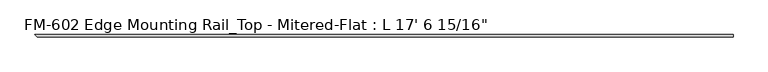
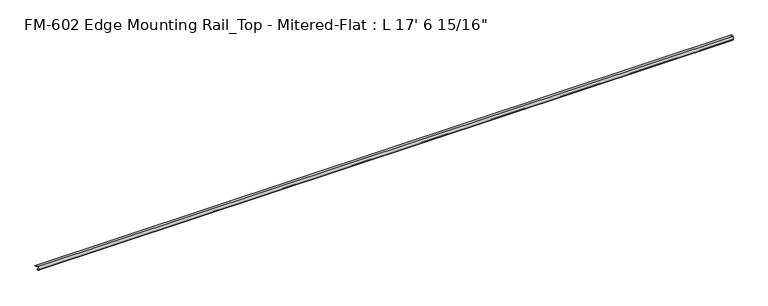
"""IFC4 building model written with IfcOpenShell, lengths in millimetres: proxy geometry."""

from ifc_helpers import new_model, si_unit, frame, origin, origin_with_axes, place, context, project, spatial, polyline, circle_curve, ellipse_curve, source, transform, mapped, element, save
from ifc_brep_helpers import plane_surface, cylinder_surface, revolved_surface, advanced_brep


def proxy_81527d32(model_context):
    return source(origin(), model_context, "Body", "AdvancedBrep", [
        advanced_brep(
        [(5357.8125, -13.6400687, -32.1158903), (5357.8125, -11.9462301, -30.7938136), (5357.8125, -13.6400687, -26.2967369), (5357.8125, -15.4364113, -25.7360779), (5357.8125, -16.1779173, -26.4138515), (5357.8125, -16.9376166, -27.3612928), (5357.8125, -17.4625, -26.8535734), (5357.8125, -17.4625, -15.6659614), (5357.8125, -17.9716639, -14.7485418), (5357.8125, -17.9716639, -13.408381), (5357.8125, -17.4625, -12.4909614), (5357.8125, -17.4625, -3.5152595), (5357.8125, -15.5573314, -1.6102595), (5357.8125, -6.3856306, -1.6018315), (5357.8125, -3.2106953, -1.5875), (5357.8125, 0.0, -1.5875), (5357.8125, 0.0, 0.0), (5357.8125, -19.05, 0.0), (5357.8125, -19.05, -29.1395734), (5357.8125, -17.7424378, -29.1395734), (5357.8125, -16.1549378, -30.7270734), (5357.8125, -16.1549378, -32.2686835), (5357.8125, -15.4750158, -32.6885982), (15.4750158, -15.4750158, -32.6885982), (13.6400687, -13.6400687, -32.1158903), (16.1549378, -16.1549378, -32.2686835), (16.1549378, -16.1549378, -30.7270734), (17.7424378, -17.7424378, -29.1395734), (19.05, -19.05, -29.1395734), (19.05, -19.05, 0.0), (0.0, 0.0, 0.0), (17.4625, -17.4625, -3.5152595), (15.5573314, -15.5573314, -1.6102595), (17.4625, -17.4625, -12.4909614), (17.9716639, -17.9716639, -13.408381), (17.9716639, -17.9716639, -14.7485418), (17.4625, -17.4625, -15.6659614), (17.4625, -17.4625, -26.8535734), (16.9376166, -16.9376166, -27.3612928), (16.1779173, -16.1779173, -26.4138515), (15.4364113, -15.4364113, -25.7360779), (13.6400687, -13.6400687, -26.2967369), (11.9462301, -11.9462301, -30.7938136), (0.0, 0.0, -1.5875), (3.2106953, -3.2106953, -1.5875), (6.3856306, -6.3856306, -1.6018315)],
        [
            (0, 1, circle_curve(frame((5357.8125, -14.5481808, -29.2063136), z_axis=(1.0, 0.0, 0.0), x_axis=(0.0, 1.0, 0.0)), 3.048)),
            (1, 2, circle_curve(frame((5357.8125, -14.5481808, -29.2063136), z_axis=(1.0, 0.0, 0.0), x_axis=(0.0, 1.0, 0.0)), 3.048)),
            (2, 3),
            (3, 4, circle_curve(frame((5357.8125, -15.6245238, -26.2747792), z_axis=(1.0, 0.0, 0.0), x_axis=(0.0, 1.0, 0.0)), 0.5706009)),
            (4, 5, circle_curve(frame((5357.8125, -16.9169378, -26.5995734), z_axis=(-1.0, 0.0, 0.0), x_axis=(0.0, 1.0, 0.0)), 0.762)),
            (5, 6, circle_curve(frame((5357.8125, -16.9545, -26.8535734), z_axis=(-1.0, 0.0, 0.0), x_axis=(0.0, 1.0, 0.0)), 0.508)),
            (6, 7),
            (7, 8),
            (8, 9),
            (9, 10),
            (10, 11),
            (11, 12, circle_curve(frame((5357.8125, -15.5575, -3.5152595), z_axis=(-1.0, 0.0, 0.0), x_axis=(0.0, 1.0, 0.0)), 1.905)),
            (12, 13),
            (13, 14, circle_curve(frame((5357.8125, -4.7981953, -1.5875), z_axis=(1.0, 0.0, 0.0), x_axis=(0.0, 1.0, 0.0)), 1.5875)),
            (14, 15),
            (15, 16),
            (16, 17),
            (17, 18),
            (18, 19),
            (19, 20, circle_curve(frame((5357.8125, -17.7424378, -30.7270734), z_axis=(-1.0, 0.0, 0.0), x_axis=(0.0, 1.0, 0.0)), 1.5875)),
            (20, 21),
            (21, 22, circle_curve(frame((5357.8125, -15.6853088, -32.2686835), z_axis=(1.0, 0.0, 0.0), x_axis=(0.0, 1.0, 0.0)), 0.4696291)),
            (22, 0),
            (22, 23),
            (23, 24),
            (24, 0),
            (21, 25),
            (25, 23, ellipse_curve(frame((15.6853088, -15.6853088, -32.2686835), z_axis=(0.7071067811865469, 0.7071067811865481, 0.0), x_axis=(-0.707106781186548, 0.7071067811865469, 0.0)), 0.6641558, 0.4696291)),
            (20, 26),
            (26, 25),
            (19, 27),
            (27, 26, ellipse_curve(frame((17.7424378, -17.7424378, -30.7270734), z_axis=(-0.7071067811865469, -0.7071067811865481, 0.0), x_axis=(0.707106781186548, -0.7071067811865469, 0.0)), 2.245064, 1.5875)),
            (18, 28),
            (28, 27),
            (17, 29),
            (29, 28),
            (16, 30),
            (30, 29),
            (11, 31),
            (31, 32, ellipse_curve(frame((15.5575, -15.5575, -3.5152595), z_axis=(-0.7071067811865469, -0.7071067811865481, 0.0), x_axis=(0.707106781186548, -0.7071067811865469, 0.0)), 2.6940768, 1.905)),
            (32, 12),
            (10, 33),
            (33, 31),
            (9, 34),
            (34, 33),
            (8, 35),
            (35, 34),
            (7, 36),
            (36, 35),
            (6, 37),
            (37, 36),
            (5, 38),
            (38, 37, ellipse_curve(frame((16.9545, -16.9545, -26.8535734), z_axis=(-0.7071067811865469, -0.7071067811865481, 0.0), x_axis=(0.707106781186548, -0.7071067811865469, 0.0)), 0.7184205, 0.508)),
            (4, 39),
            (39, 38, ellipse_curve(frame((16.9169378, -16.9169378, -26.5995734), z_axis=(-0.7071067811865469, -0.7071067811865481, 0.0), x_axis=(0.707106781186548, -0.7071067811865469, 0.0)), 1.0776307, 0.762)),
            (3, 40),
            (40, 39, ellipse_curve(frame((15.6245238, -15.6245238, -26.2747792), z_axis=(0.7071067811865469, 0.7071067811865481, 0.0), x_axis=(-0.707106781186548, 0.7071067811865469, 0.0)), 0.8069516, 0.5706009)),
            (2, 41),
            (41, 40),
            (1, 42),
            (42, 41, ellipse_curve(frame((14.5481808, -14.5481808, -29.2063136), z_axis=(0.7071067811865469, 0.7071067811865481, 0.0), x_axis=(-0.707106781186548, 0.7071067811865469, 0.0)), 4.3105229, 3.048)),
            (24, 42, ellipse_curve(frame((14.5481808, -14.5481808, -29.2063136), z_axis=(0.7071067811865469, 0.7071067811865481, 0.0), x_axis=(-0.707106781186548, 0.7071067811865469, 0.0)), 4.3105229, 3.048)),
            (15, 43),
            (43, 30),
            (14, 44),
            (44, 43),
            (13, 45),
            (45, 44, ellipse_curve(frame((4.7981953, -4.7981953, -1.5875), z_axis=(0.7071067811865469, 0.7071067811865481, 0.0), x_axis=(-0.707106781186548, 0.7071067811865469, 0.0)), 2.245064, 1.5875)),
            (32, 45),
        ],
        [
            plane_surface(frame((5357.8125, -11.5001808, -29.2063136), z_axis=(1.0, 0.0, 0.0), x_axis=(0.0, 0.0, -1.0))),
            plane_surface(frame((0.0, -15.4750158, -32.6885982), z_axis=(0.0, 0.2979370393092848, -0.9545855229405157), x_axis=(1.0, 0.0, 0.0))),
            cylinder_surface(frame((5357.8125, -15.6853088, -32.2686835), z_axis=(-1.0, 0.0, 0.0), x_axis=(0.0, 1.0, 0.0)), 0.4696291),
            plane_surface(frame((0.0, -16.1549378, -30.7270734), z_axis=(0.0, -1.0, 0.0), x_axis=(1.0, 0.0, 0.0))),
            revolved_surface(polyline([(5357.8125, -16.154937800000003, -30.7270734), (16.15493779999997, -16.154937800000003, -30.7270734)]), (5357.8125, -17.7424378, -30.7270734), (1.0, 0.0, 0.0)),
            plane_surface(frame((0.0, -19.05, -29.1395734), z_axis=(0.0, 0.0, -1.0), x_axis=(1.0, 0.0, 0.0))),
            plane_surface(frame((0.0, -19.05, 0.0), z_axis=(0.0, -1.0, 0.0), x_axis=(1.0, 0.0, 0.0))),
            plane_surface(origin_with_axes()),
            revolved_surface(polyline([(5357.8125, -13.6525, -3.5152595), (13.652500025682457, -13.6525, -3.5152595)]), (5357.8125, -15.5575, -3.5152595), (1.0, 0.0, 0.0)),
            plane_surface(frame((0.0, -17.4625, -12.4909614), z_axis=(0.0, 1.0, 0.0), x_axis=(1.0, 0.0, 0.0))),
            plane_surface(frame((0.0, -17.9716639, -13.408381), z_axis=(0.0, 0.8743650443659625, -0.48526875975165407), x_axis=(1.0, 0.0, 0.0))),
            plane_surface(frame((0.0, -17.9716639, -14.7485418), z_axis=(0.0, 1.0, 0.0), x_axis=(1.0, 0.0, 0.0))),
            plane_surface(frame((0.0, -17.4625, -15.6659614), z_axis=(0.0, 0.8743650443696195, 0.48526875974506484), x_axis=(1.0, 0.0, 0.0))),
            plane_surface(frame((0.0, -17.4625, -26.8535734), z_axis=(0.0, 1.0, 0.0), x_axis=(1.0, 0.0, 0.0))),
            revolved_surface(polyline([(5357.8125, -16.4465, -26.8535734), (16.446499992706777, -16.4465, -26.8535734)]), (5357.8125, -16.9545, -26.8535734), (1.0, 0.0, 0.0)),
            revolved_surface(polyline([(5357.8125, -16.1549378, -26.5995734), (16.154937824414446, -16.1549378, -26.5995734)]), (5357.8125, -16.9169378, -26.5995734), (1.0, 0.0, 0.0)),
            cylinder_surface(frame((5357.8125, -15.6245238, -26.2747792), z_axis=(-1.0, 0.0, 0.0), x_axis=(0.0, 1.0, 0.0)), 0.5706009),
            plane_surface(frame((0.0, -13.6400687, -26.2967369), z_axis=(0.0, 0.2979370393102689, 0.9545855229402085), x_axis=(1.0, 0.0, 0.0))),
            cylinder_surface(frame((5357.8125, -14.5481808, -29.2063136), z_axis=(-1.0, 0.0, 0.0), x_axis=(0.0, 1.0, 0.0)), 3.048),
            plane_surface(frame((0.0, 0.0, -1.5875), z_axis=(0.0, 1.0, 0.0), x_axis=(1.0, 0.0, 0.0))),
            plane_surface(frame((0.0, -3.2106953, -1.5875), z_axis=(0.0, 0.0, -1.0), x_axis=(1.0, 0.0, 0.0))),
            cylinder_surface(frame((5357.8125, -4.7981953, -1.5875), z_axis=(-1.0, 0.0, 0.0), x_axis=(0.0, 1.0, 0.0)), 1.5875),
            plane_surface(frame((0.0, -15.5573314, -1.6102595), z_axis=(0.0, 0.0009189159949565421, -0.999999577796608), x_axis=(1.0, 0.0, 0.0))),
            plane_surface(frame((0.0, 0.0, 0.0), z_axis=(-0.7071067811865469, -0.7071067811865481, 0.0), x_axis=(0.0, 0.0, -1.0))),
        ],
        [
            (0, [[1, 2, 3, 4, 5, 6, 7, 8, 9, 10, 11, 12, 13, 14, 15, 16, 17, 18, 19, 20, 21, 22, 23]]),
            (1, [[24, 25, 26, -23]]),
            (2, [[27, 28, -24, -22]]),
            (3, [[29, 30, -27, -21]]),
            (4, [[31, 32, -29, -20]]),
            (5, [[33, 34, -31, -19]]),
            (6, [[35, 36, -33, -18]]),
            (7, [[37, 38, -35, -17]]),
            (8, [[39, 40, 41, -12]]),
            (9, [[42, 43, -39, -11]]),
            (10, [[44, 45, -42, -10]]),
            (11, [[46, 47, -44, -9]]),
            (12, [[48, 49, -46, -8]]),
            (13, [[50, 51, -48, -7]]),
            (14, [[52, 53, -50, -6]]),
            (15, [[54, 55, -52, -5]]),
            (16, [[56, 57, -54, -4]]),
            (17, [[58, 59, -56, -3]]),
            (18, [[60, 61, -58, -2]]),
            (18, [[-26, 62, -60, -1]]),
            (19, [[63, 64, -37, -16]]),
            (20, [[65, 66, -63, -15]]),
            (21, [[67, 68, -65, -14]]),
            (22, [[-41, 69, -67, -13]]),
            (23, [[-28, -30, -32, -34, -36, -38, -64, -66, -68, -69, -40, -43, -45, -47, -49, -51, -53, -55, -57, -59, -61, -62, -25]]),
        ],
    ),
    ])


if __name__ == "__main__":
    model = new_model("IFC4")
    model_context = context("Model", 3, world=origin())
    ifc_project = project(units=[si_unit("LENGTHUNIT", "METRE", prefix="MILLI")], contexts=[model_context])
    site = spatial("IfcSite", under=ifc_project)
    building = spatial("IfcBuilding", under=site)
    placement = place(None, origin())
    proxy_shape = proxy_81527d32(model_context)
    element("IfcBuildingElementProxy", 1, Name="FM-602 Edge Mounting Rail_Top - Mitered-Flat : L 17' 6 15/16\"", ObjectType="FM-602 Edge Mounting Rail_Top - Mitered-Flat : L 17' 6 15/16\"", at=placement, inside=building, context=model_context, shape_type="MappedRepresentation", body=[
        mapped(proxy_shape, transform((0.0, 0.0, 0.0), x_axis=(1.0, 0.0, 0.0), y_axis=(0.0, 1.0, 0.0), z_axis=(0.0, 0.0, 1.0))),
    ])
    save(model, "model.ifc")
